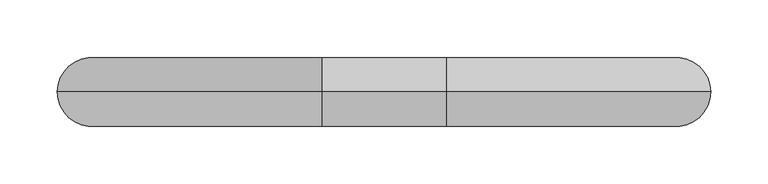
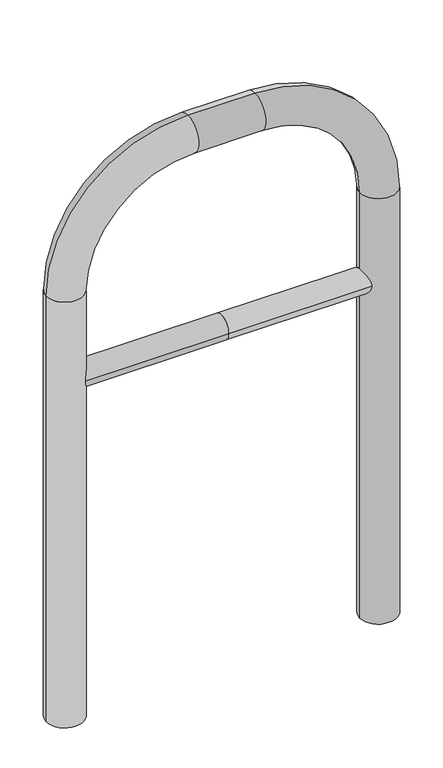
"""IFC4 building model written with IfcOpenShell, lengths in millimetres: proxy geometry."""

from ifc_helpers import new_model, si_unit, point, frame, frame_2d, origin, place, context, project, spatial, circle_curve, ellipse_curve, trimmed, segment, composite_curve, outline, extrude, source, transform, mapped, element, save
from ifc_brep_helpers import plane_surface, cylinder_surface, revolved_surface, advanced_brep


def generic_models_c3f566f9(model_context):
    return source(origin(), model_context, "Body", "SolidModel", [
        extrude(outline(composite_curve([segment(trimmed(circle_curve(frame_2d((0.0, 498.4778375)), 20.0), [point((-20.0, 498.4778375))], [point((20.0, 498.4778375))], False, "CARTESIAN"), True, "CONTINUOUS"), segment(trimmed(circle_curve(frame_2d((0.0, 498.4778375)), 20.0), [point((20.0, 498.4778375))], [point((-20.0, 498.4778375))], False, "CARTESIAN"), True, "CONTINUOUS")], self_intersect=False)), frame((-254.3580266, 0.0, 0.0), z_axis=(1.0, 0.0, 0.0), x_axis=(0.0, 1.0, 0.0)), (0.0, 0.0, 1.0), 254.3580266),
        extrude(outline(composite_curve([segment(trimmed(circle_curve(frame_2d((0.0, 498.4778375)), 20.0), [point((-20.0, 498.4778375))], [point((20.0, 498.4778375))], False, "CARTESIAN"), True, "CONTINUOUS"), segment(trimmed(circle_curve(frame_2d((0.0, 498.4778375)), 20.0), [point((20.0, 498.4778375))], [point((-20.0, 498.4778375))], False, "CARTESIAN"), True, "CONTINUOUS")], self_intersect=False)), frame((0.0, 0.0, 0.0), z_axis=(1.0, 0.0, 0.0), x_axis=(0.0, 1.0, 0.0)), (0.0, 0.0, 1.0), 254.3580266),
        advanced_brep(
        [(-224.3580266, 0.0, -80.0), (-284.3580266, 0.0, -80.0), (-224.3580266, 0.0, 650.0), (-284.3580266, 0.0, 650.0), (-54.3580266, 0.0, 880.0), (-54.3580266, 0.0, 820.0), (54.3580266, 0.0, 820.0), (54.3580266, 0.0, 880.0), (284.3580266, 0.0, 650.0), (224.3580266, 0.0, 650.0), (224.3580266, 0.0, -80.0), (284.3580266, 0.0, -80.0)],
        [
            (0, 1, circle_curve(frame((-254.3580266, 0.0, -80.0), z_axis=(0.0, 0.0, -1.0), x_axis=(-1.0, 0.0, 0.0)), 30.0)),
            (1, 0, circle_curve(frame((-254.3580266, 0.0, -80.0), z_axis=(0.0, 0.0, -1.0), x_axis=(-1.0, 0.0, 0.0)), 30.0)),
            (0, 2),
            (2, 3, circle_curve(frame((-254.3580266, 0.0, 650.0), z_axis=(0.0, 0.0, -1.0), x_axis=(-1.0, 0.0, 0.0)), 30.0)),
            (3, 1),
            (3, 2, circle_curve(frame((-254.3580266, 0.0, 650.0), z_axis=(0.0, 0.0, -1.0), x_axis=(-1.0, 0.0, 0.0)), 30.0)),
            (4, 3, circle_curve(frame((-54.3580266, 0.0, 650.0), z_axis=(0.0, -1.0, 0.0), x_axis=(-1.0, 0.0, 0.0)), 230.0)),
            (2, 5, circle_curve(frame((-54.3580266, 0.0, 650.0), z_axis=(0.0, 1.0, 0.0), x_axis=(-1.0, 0.0, 0.0)), 170.0)),
            (5, 4, circle_curve(frame((-54.3580266, 0.0, 850.0), z_axis=(-1.0, 0.0, 0.0), x_axis=(0.0, 0.0, 1.0)), 30.0)),
            (4, 5, circle_curve(frame((-54.3580266, 0.0, 850.0), z_axis=(-1.0, 0.0, 0.0), x_axis=(0.0, 0.0, 1.0)), 30.0)),
            (5, 6),
            (6, 7, circle_curve(frame((54.3580266, 0.0, 850.0), z_axis=(-1.0, 0.0, 0.0), x_axis=(0.0, 0.0, 1.0)), 30.0)),
            (7, 4),
            (7, 6, circle_curve(frame((54.3580266, 0.0, 850.0), z_axis=(-1.0, 0.0, 0.0), x_axis=(0.0, 0.0, 1.0)), 30.0)),
            (8, 7, circle_curve(frame((54.3580266, 0.0, 650.0), z_axis=(0.0, -1.0, 0.0), x_axis=(0.0, 0.0, 1.0)), 230.0)),
            (6, 9, circle_curve(frame((54.3580266, 0.0, 650.0), z_axis=(0.0, 1.0, 0.0), x_axis=(0.0, 0.0, 1.0)), 170.0)),
            (9, 8, circle_curve(frame((254.3580266, 0.0, 650.0), z_axis=(0.0, 0.0, 1.0), x_axis=(1.0, 0.0, 0.0)), 30.0)),
            (8, 9, circle_curve(frame((254.3580266, 0.0, 650.0), z_axis=(0.0, 0.0, 1.0), x_axis=(1.0, 0.0, 0.0)), 30.0)),
            (10, 11, circle_curve(frame((254.3580266, 0.0, -80.0), z_axis=(0.0, 0.0, -1.0), x_axis=(1.0, 0.0, 0.0)), 30.0)),
            (11, 10, circle_curve(frame((254.3580266, 0.0, -80.0), z_axis=(0.0, 0.0, -1.0), x_axis=(1.0, 0.0, 0.0)), 30.0)),
            (9, 10),
            (11, 8),
        ],
        [
            plane_surface(frame((-254.3580266, 0.0, -80.0), z_axis=(0.0, 0.0, -1.0), x_axis=(0.0, -1.0, 0.0))),
            cylinder_surface(frame((-254.3580266, 0.0, -80.0), z_axis=(0.0, 0.0, -1.0), x_axis=(-1.0, 0.0, 0.0)), 30.0),
            revolved_surface(trimmed(ellipse_curve(frame((-254.3580266, 0.0, 650.0), z_axis=(0.0, 0.0, -1.0), x_axis=(-1.0, 0.0, 0.0)), 30.0, 30.0), [point((-224.3580266, 0.0, 650.0))], [point((-284.3580266, 0.0, 650.0))], True, "CARTESIAN"), (-54.3580266, 0.0, 650.0), (0.0, 1.0, 0.0)),
            revolved_surface(trimmed(ellipse_curve(frame((-254.3580266, 0.0, 650.0), z_axis=(0.0, 0.0, -1.0), x_axis=(-1.0, 0.0, 0.0)), 30.0, 30.0), [point((-284.3580266, 0.0, 650.0))], [point((-224.3580266, 0.0, 650.0))], True, "CARTESIAN"), (-54.3580266, 0.0, 650.0), (0.0, 1.0, 0.0)),
            cylinder_surface(frame((-54.3580266, 0.0, 850.0), z_axis=(-1.0, 0.0, 0.0), x_axis=(0.0, 0.0, 1.0)), 30.0),
            revolved_surface(trimmed(ellipse_curve(frame((54.3580266, 0.0, 850.0), z_axis=(-1.0, 0.0, 0.0), x_axis=(0.0, 0.0, 1.0)), 30.0, 30.0), [point((54.3580266, 0.0, 820.0))], [point((54.3580266, 0.0, 880.0))], True, "CARTESIAN"), (54.3580266, 0.0, 650.0), (0.0, 1.0, 0.0)),
            revolved_surface(trimmed(ellipse_curve(frame((54.3580266, 0.0, 850.0), z_axis=(-1.0, 0.0, 0.0), x_axis=(0.0, 0.0, 1.0)), 30.0, 30.0), [point((54.3580266, 0.0, 880.0))], [point((54.3580266, 0.0, 820.0))], True, "CARTESIAN"), (54.3580266, 0.0, 650.0), (0.0, 1.0, 0.0)),
            plane_surface(frame((254.3580266, 0.0, -80.0), z_axis=(0.0, 0.0, -1.0), x_axis=(0.0, -1.0, 0.0))),
            cylinder_surface(frame((254.3580266, 0.0, 650.0), z_axis=(0.0, 0.0, 1.0), x_axis=(1.0, 0.0, 0.0)), 30.0),
        ],
        [
            (0, [[1, 2]]),
            (1, [[-1, 3, 4, 5]]),
            (1, [[-2, -5, 6, -3]]),
            (2, [[7, -4, 8, 9]]),
            (3, [[-8, -6, -7, 10]]),
            (4, [[-9, 11, 12, 13]]),
            (4, [[-10, -13, 14, -11]]),
            (5, [[15, -12, 16, 17]]),
            (6, [[-16, -14, -15, 18]]),
            (7, [[19, 20]]),
            (8, [[-17, 21, -20, 22]]),
            (8, [[-18, -22, -19, -21]]),
        ],
    ),
    ])


if __name__ == "__main__":
    model = new_model("IFC4")
    model_context = context("Model", 3, world=origin())
    ifc_project = project(units=[si_unit("LENGTHUNIT", "METRE", prefix="MILLI")], contexts=[model_context])
    site = spatial("IfcSite", under=ifc_project)
    building = spatial("IfcBuilding", under=site)
    placement = place(None, origin())
    generic_models_shape = generic_models_c3f566f9(model_context)
    element("IfcBuildingElementProxy", 1, Name="Generic Models", at=placement, inside=building, context=model_context, shape_type="MappedRepresentation", body=[
        mapped(generic_models_shape, transform((0.0, 0.0, 0.0), x_axis=(1.0, 0.0, 0.0), y_axis=(0.0, 1.0, 0.0), z_axis=(0.0, 0.0, 1.0))),
    ])
    save(model, "model.ifc")
